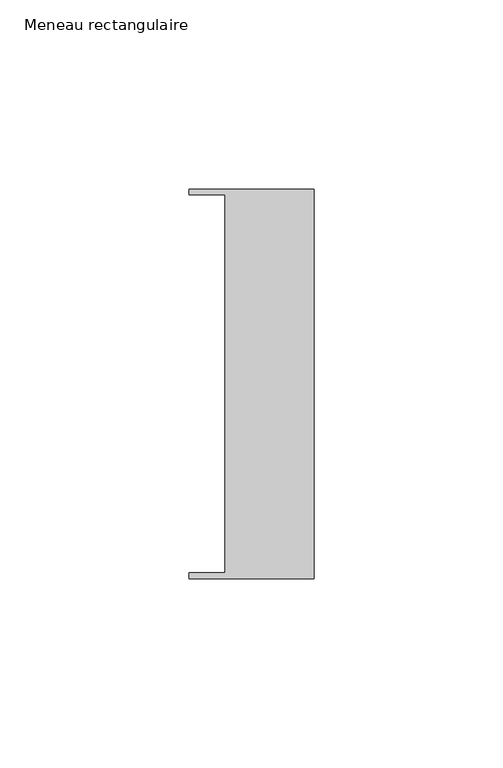
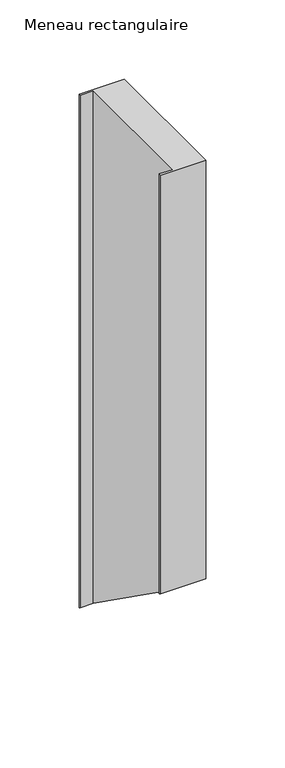
"""IFC4 building model written with IfcOpenShell, lengths in millimetres: member geometry, Meneau rectangulaire."""

from ifc_helpers import new_model, si_unit, origin, place, context, project, spatial, faceted_brep, source, transform, mapped, element, save


def meneau_rectangulaire_8483d94e(model_context):
    return source(origin(), model_context, "Body", "Brep", [
        faceted_brep([(-33.0, 51.4622428, 0.0), (-33.0, 49.9614402, 0.0), (-23.4, 49.9614402, 0.0), (-23.4, -49.9505712, 0.0), (-33.0, -49.9505712, 0.0), (-33.0, -51.4712299, 0.0), (0.0, -51.4712299, 0.0), (0.0, 51.4622428, 0.0), (-23.4, 49.9614402, -395.1926582), (-23.4, -49.9505712, -323.926113), (-33.0, -51.4712299, -322.8414377), (0.0, -51.4712299, -322.8414377), (0.0, 51.4622428, -396.2631702), (-33.0, 51.4622428, -396.2631702), (-33.0, -49.9505712, -323.926113), (-33.0, 49.9614402, -395.1926582)], [[[0, 1, 2, 3, 4, 5, 6, 7]], [[3, 2, 8, 9]], [[6, 5, 10, 11]], [[7, 6, 11, 12]], [[0, 7, 12, 13]], [[13, 12, 11, 10, 14, 9, 8, 15]], [[1, 0, 13, 15]], [[2, 1, 15, 8]], [[4, 3, 9, 14]], [[5, 4, 14, 10]]]),
    ])


if __name__ == "__main__":
    model = new_model("IFC4")
    model_context = context("Model", 3, world=origin())
    ifc_project = project(units=[si_unit("LENGTHUNIT", "METRE", prefix="MILLI")], contexts=[model_context])
    site = spatial("IfcSite", under=ifc_project)
    building = spatial("IfcBuilding", under=site)
    placement = place(None, origin())
    meneau_rectangulaire_shape = meneau_rectangulaire_8483d94e(model_context)
    element("IfcMember", 1, ObjectType="Meneau rectangulaire", at=placement, inside=building, context=model_context, shape_type="MappedRepresentation", body=[
        mapped(meneau_rectangulaire_shape, transform((0.0, 0.0, 0.0), x_axis=(1.0, 0.0, 0.0), y_axis=(0.0, 1.0, 0.0), z_axis=(0.0, 0.0, 1.0))),
    ])
    save(model, "model.ifc")
